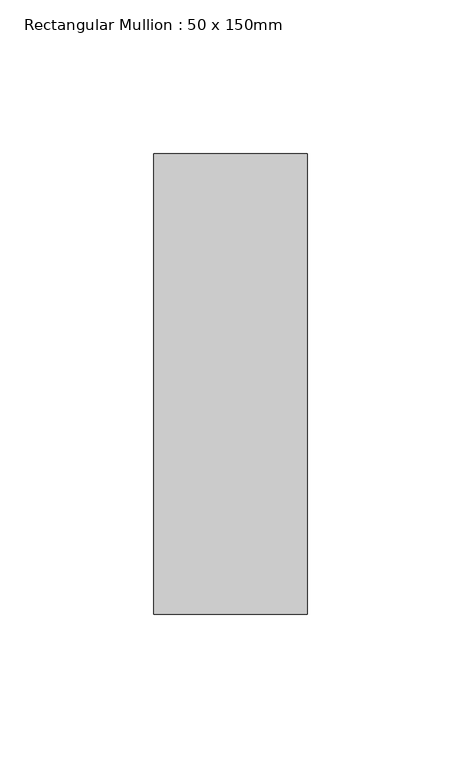
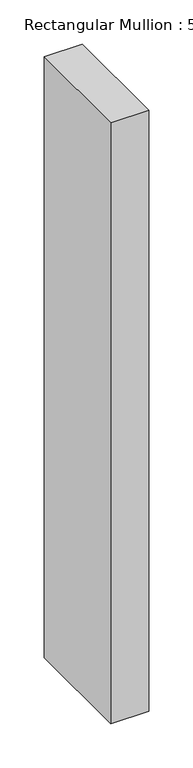
"""IFC4 building model written with IfcOpenShell, lengths in millimetres: member geometry, Rectangular Mullion : 50 x 150mm."""

from ifc_helpers import new_model, si_unit, frame, origin, place, context, project, spatial, polyline, outline, extrude, source, transform, mapped, element, save


def rectangular_mullion_50_x_150mm_4fb2fbc8(model_context):
    return source(origin(), model_context, "Body", "SweptSolid", [
        extrude(outline(polyline([(25.0, 75.0), (25.0, -75.0), (-25.0, -75.0), (-25.0, 75.0), (25.0, 75.0)])), frame((0.0, 0.0, -830.0), z_axis=(0.0, 0.0, 1.0), x_axis=(1.0, 0.0, 0.0)), (0.0, 0.0, 1.0), 830.0),
    ])


if __name__ == "__main__":
    model = new_model("IFC4")
    model_context = context("Model", 3, world=origin())
    ifc_project = project(units=[si_unit("LENGTHUNIT", "METRE", prefix="MILLI")], contexts=[model_context])
    site = spatial("IfcSite", under=ifc_project)
    building = spatial("IfcBuilding", under=site)
    placement = place(None, origin())
    rectangular_mullion_50_x_150mm_shape = rectangular_mullion_50_x_150mm_4fb2fbc8(model_context)
    element("IfcMember", 1, ObjectType="Rectangular Mullion : 50 x 150mm", at=placement, inside=building, context=model_context, shape_type="MappedRepresentation", body=[
        mapped(rectangular_mullion_50_x_150mm_shape, transform((0.0, 0.0, 0.0), x_axis=(1.0, 0.0, 0.0), y_axis=(0.0, 1.0, 0.0), z_axis=(0.0, 0.0, 1.0))),
    ])
    save(model, "model.ifc")
